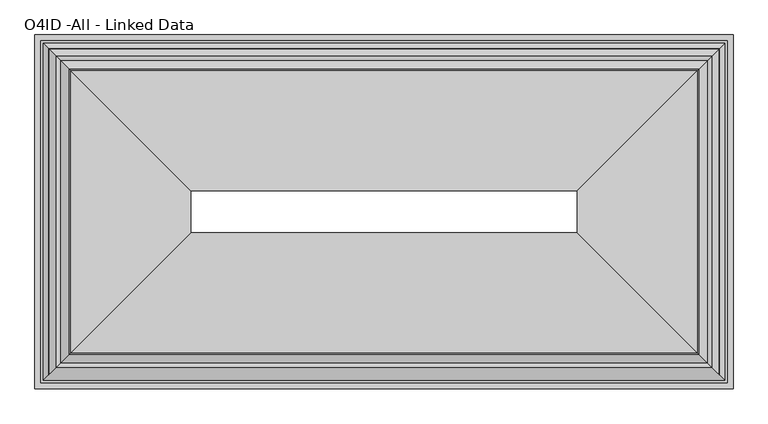
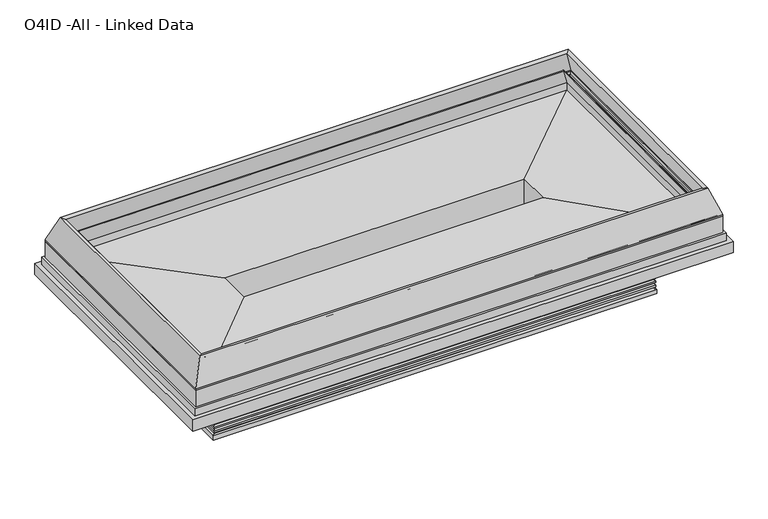
"""IFC4 building model written with IfcOpenShell, lengths in millimetres: proxy geometry, O4ID -All - Linked Data."""

from ifc_helpers import new_model, si_unit, point, frame, frame_2d, origin, origin_with_axes, place, context, project, spatial, polyline, circle_curve, ellipse_curve, trimmed, segment, composite_curve, outline, extrude, faceted_brep, source, transform, mapped, element, save
from ifc_brep_helpers import plane_surface, cylinder_surface, revolved_surface, advanced_brep


def o4id_all_linked_data_f080d3b0(model_context):
    return source(origin(), model_context, "Body", "SolidModel", [
        advanced_brep(
        [(407.5864212, -2019.5725061, 52.2515752), (404.0973241, -2023.0616032, 41.0863151), (3494.8026759, -2023.0616032, 41.0863151), (3491.3135788, -2019.5725061, 52.2515752), (3501.9507741, -2030.2097014, 50.0937524), (396.9492259, -2030.2097014, 50.0937524), (394.9553259, -2032.2036014, 62.7937524), (394.9553259, -2032.2036014, 50.0937524), (3503.9446741, -2032.2036014, 50.0937524), (3503.9446741, -2032.2036014, 62.7937524), (3494.8026759, -2023.0616032, 72.0584982), (404.0973241, -2023.0616032, 72.0584982), (3491.3135788, -2019.5725061, 83.2237583), (407.5864212, -2019.5725061, 83.2237583), (3501.9507741, -2030.2097014, 81.0659355), (396.9492259, -2030.2097014, 81.0659355), (394.9553259, -2032.2036014, 93.7659355), (394.9553259, -2032.2036014, 81.0659355), (3503.9446741, -2032.2036014, 81.0659355), (3503.9446741, -2032.2036014, 93.7659355), (3494.8026759, -2023.0616032, 103.0306813), (404.0973241, -2023.0616032, 103.0306813), (3491.3135788, -2019.5725061, 114.0694894), (407.5864212, -2019.5725061, 114.0694894), (3501.9507741, -2030.2097014, 112.0383055), (396.9492259, -2030.2097014, 112.0383055), (394.9553259, -2032.2036014, 124.7383055), (394.9553259, -2032.2036014, 112.0383055), (3503.9446741, -2032.2036014, 112.0383055), (3503.9446741, -2032.2036014, 124.7383055), (3491.3135788, -2019.5725061, 137.4381186), (407.5864212, -2019.5725061, 137.4381186), (3491.3135788, -2019.5725061, 146.05), (407.5864212, -2019.5725061, 146.05), (417.6946779, -2009.4642494, 0.0), (417.6946779, -2009.4642494, 146.05), (3481.2053221, -2009.4642494, 146.05), (3481.2053221, -2009.4642494, 0.0), (392.0670212, -2035.0919061, 31.4790022), (392.0670212, -2035.0919061, 0.0), (3506.8329788, -2035.0919061, 0.0), (3506.8329788, -2035.0919061, 31.4790022), (3494.8026759, -805.6062514, 41.0863151), (3491.3135788, -809.0953485, 52.2515752), (3501.9507741, -798.4581532, 50.0937524), (3503.9446741, -796.4642532, 50.0937524), (3503.9446741, -796.4642532, 62.7937524), (3494.8026759, -805.6062514, 72.0584982), (3491.3135788, -809.0953485, 83.2237583), (3501.9507741, -798.4581532, 81.0659355), (3503.9446741, -796.4642532, 81.0659355), (3503.9446741, -796.4642532, 93.7659355), (3494.8026759, -805.6062514, 103.0306813), (3491.3135788, -809.0953485, 114.0694894), (3501.9507741, -798.4581532, 112.0383055), (3503.9446741, -796.4642532, 112.0383055), (3503.9446741, -796.4642532, 124.7383055), (3491.3135788, -809.0953485, 137.4381186), (3491.3135788, -809.0953485, 146.05), (3481.2053221, -819.2036052, 146.05), (3481.2053221, -819.2036052, 0.0), (3506.8329788, -793.5759485, 0.0), (3506.8329788, -793.5759485, 31.4790022), (404.0973241, -805.6062514, 41.0863151), (407.5864212, -809.0953485, 52.2515752), (396.9492259, -798.4581532, 50.0937524), (394.9553259, -796.4642532, 50.0937524), (394.9553259, -796.4642532, 62.7937524), (404.0973241, -805.6062514, 72.0584982), (407.5864212, -809.0953485, 83.2237583), (396.9492259, -798.4581532, 81.0659355), (394.9553259, -796.4642532, 81.0659355), (394.9553259, -796.4642532, 93.7659355), (404.0973241, -805.6062514, 103.0306813), (407.5864212, -809.0953485, 114.0694894), (396.9492259, -798.4581532, 112.0383055), (394.9553259, -796.4642532, 112.0383055), (394.9553259, -796.4642532, 124.7383055), (407.5864212, -809.0953485, 137.4381186), (407.5864212, -809.0953485, 146.05), (417.6946779, -819.2036052, 146.05), (417.6946779, -819.2036052, 0.0), (392.0670212, -793.5759485, 0.0), (392.0670212, -793.5759485, 31.4790022)],
        [
            (0, 1),
            (1, 2),
            (2, 3),
            (3, 0),
            (3, 4),
            (4, 5),
            (5, 0),
            (6, 7),
            (7, 8),
            (8, 9),
            (9, 6),
            (9, 10, ellipse_curve(frame((3507.1365131, -2035.3954404, 75.0861144), z_axis=(0.7071067811865475, 0.7071067811865475, 0.0), x_axis=(0.7071067811865476, -0.7071067811865474, 0.0)), 17.9605122, 12.7)),
            (10, 11),
            (11, 6, ellipse_curve(frame((391.7634869, -2035.3954404, 75.0861144), z_axis=(-0.7071067811865475, 0.7071067811865475, 0.0), x_axis=(0.7071067811865476, 0.7071067811865474, 0.0)), 17.9605122, 12.7)),
            (10, 12),
            (12, 13),
            (13, 11),
            (12, 14),
            (14, 15),
            (15, 13),
            (16, 17),
            (17, 18),
            (18, 19),
            (19, 16),
            (19, 20, ellipse_curve(frame((3507.1365131, -2035.3954404, 106.0582975), z_axis=(0.7071067811865475, 0.7071067811865475, 0.0), x_axis=(0.7071067811865476, -0.7071067811865474, 0.0)), 17.9605122, 12.7)),
            (20, 21),
            (21, 16, ellipse_curve(frame((391.7634869, -2035.3954404, 106.0582975), z_axis=(-0.7071067811865475, 0.7071067811865475, 0.0), x_axis=(0.7071067811865476, 0.7071067811865474, 0.0)), 17.9605122, 12.7)),
            (20, 22),
            (22, 23),
            (23, 21),
            (22, 24),
            (24, 25),
            (25, 23),
            (26, 27),
            (27, 28),
            (28, 29),
            (29, 26),
            (29, 30, ellipse_curve(frame((3504.0135788, -2032.2725061, 137.4381186), z_axis=(0.7071067811865475, 0.7071067811865475, 0.0), x_axis=(0.7071067811865476, -0.7071067811865474, 0.0)), 17.9605122, 12.7)),
            (30, 31),
            (31, 26, ellipse_curve(frame((394.8864212, -2032.2725061, 137.4381186), z_axis=(-0.7071067811865475, 0.7071067811865475, 0.0), x_axis=(0.7071067811865476, 0.7071067811865474, 0.0)), 17.9605122, 12.7)),
            (30, 32),
            (32, 33),
            (33, 31),
            (34, 35),
            (35, 36),
            (36, 37),
            (37, 34),
            (38, 39),
            (39, 40),
            (40, 41),
            (41, 38),
            (1, 38, ellipse_curve(frame((393.1207685, -2034.0381588, 42.4953422), z_axis=(-0.7071067811865475, 0.7071067811865475, 0.0), x_axis=(0.7071067811865476, 0.7071067811865474, 0.0)), 15.6505674, 11.0666223)),
            (41, 2, ellipse_curve(frame((3505.7792315, -2034.0381588, 42.4953422), z_axis=(0.7071067811865475, 0.7071067811865475, 0.0), x_axis=(0.7071067811865476, -0.7071067811865474, 0.0)), 15.6505674, 11.0666223)),
            (2, 42),
            (42, 43),
            (43, 3),
            (43, 44),
            (44, 4),
            (8, 45),
            (45, 46),
            (46, 9),
            (46, 47, ellipse_curve(frame((3507.1365131, -793.2724142, 75.0861144), z_axis=(-0.7071067811865475, 0.7071067811865475, 0.0), x_axis=(0.7071067811865474, 0.7071067811865476, 0.0)), 17.9605122, 12.7)),
            (47, 10),
            (47, 48),
            (48, 12),
            (48, 49),
            (49, 14),
            (18, 50),
            (50, 51),
            (51, 19),
            (51, 52, ellipse_curve(frame((3507.1365131, -793.2724142, 106.0582975), z_axis=(-0.7071067811865475, 0.7071067811865475, 0.0), x_axis=(0.7071067811865474, 0.7071067811865476, 0.0)), 17.9605122, 12.7)),
            (52, 20),
            (52, 53),
            (53, 22),
            (53, 54),
            (54, 24),
            (28, 55),
            (55, 56),
            (56, 29),
            (56, 57, ellipse_curve(frame((3504.0135788, -796.3953485, 137.4381186), z_axis=(-0.7071067811865475, 0.7071067811865475, 0.0), x_axis=(0.7071067811865474, 0.7071067811865476, 0.0)), 17.9605122, 12.7)),
            (57, 30),
            (57, 58),
            (58, 32),
            (36, 59),
            (59, 60),
            (60, 37),
            (40, 61),
            (61, 62),
            (62, 41),
            (62, 42, ellipse_curve(frame((3505.7792315, -794.6296958, 42.4953422), z_axis=(-0.7071067811865475, 0.7071067811865475, 0.0), x_axis=(0.7071067811865474, 0.7071067811865476, 0.0)), 15.6505674, 11.0666223)),
            (42, 63),
            (63, 64),
            (64, 43),
            (64, 65),
            (65, 44),
            (45, 66),
            (66, 67),
            (67, 46),
            (67, 68, ellipse_curve(frame((391.7634869, -793.2724142, 75.0861144), z_axis=(-0.7071067811865475, -0.7071067811865475, 0.0), x_axis=(-0.7071067811865476, 0.7071067811865474, 0.0)), 17.9605122, 12.7)),
            (68, 47),
            (68, 69),
            (69, 48),
            (69, 70),
            (70, 49),
            (50, 71),
            (71, 72),
            (72, 51),
            (72, 73, ellipse_curve(frame((391.7634869, -793.2724142, 106.0582975), z_axis=(-0.7071067811865475, -0.7071067811865475, 0.0), x_axis=(-0.7071067811865476, 0.7071067811865474, 0.0)), 17.9605122, 12.7)),
            (73, 52),
            (73, 74),
            (74, 53),
            (74, 75),
            (75, 54),
            (55, 76),
            (76, 77),
            (77, 56),
            (77, 78, ellipse_curve(frame((394.8864212, -796.3953485, 137.4381186), z_axis=(-0.7071067811865475, -0.7071067811865475, 0.0), x_axis=(-0.7071067811865476, 0.7071067811865474, 0.0)), 17.9605122, 12.7)),
            (78, 57),
            (78, 79),
            (79, 58),
            (59, 80),
            (80, 81),
            (81, 60),
            (61, 82),
            (82, 83),
            (83, 62),
            (83, 63, ellipse_curve(frame((393.1207685, -794.6296958, 42.4953422), z_axis=(-0.7071067811865475, -0.7071067811865475, 0.0), x_axis=(-0.7071067811865476, 0.7071067811865474, 0.0)), 15.6505674, 11.0666223)),
            (0, 64),
            (63, 1),
            (5, 65),
            (7, 66),
            (6, 67),
            (11, 68),
            (13, 69),
            (15, 70),
            (17, 71),
            (16, 72),
            (21, 73),
            (23, 74),
            (25, 75),
            (27, 76),
            (26, 77),
            (31, 78),
            (33, 79),
            (35, 80),
            (34, 81),
            (39, 82),
            (38, 83),
        ],
        [
            plane_surface(frame((404.0973241, -2023.0616032, 41.0863151), z_axis=(0.0, -0.9544811145040373, 0.2982713564107874), x_axis=(1.0, 0.0, 0.0))),
            plane_surface(frame((407.5864212, -2019.5725061, 52.2515752), z_axis=(0.0, 0.19880707887698196, -0.9800386448443763), x_axis=(1.0, 0.0, 0.0))),
            plane_surface(frame((394.9553259, -2032.2036014, 50.0937524), z_axis=(0.0, -1.0, 0.0), x_axis=(1.0, 0.0, 0.0))),
            revolved_surface(polyline([(3519.8365130702036, -2022.6954404, 75.0861144), (379.0634869297963, -2022.6954404, 75.0861144)]), (0.0, -2035.3954404, 75.0861144), (1.0, 0.0, 0.0)),
            plane_surface(frame((404.0973241, -2023.0616032, 72.0584982), z_axis=(0.0, -0.9544811145041052, 0.2982713564105698), x_axis=(1.0, 0.0, 0.0))),
            plane_surface(frame((407.5864212, -2019.5725061, 83.2237583), z_axis=(0.0, 0.1988070788769928, -0.9800386448443741), x_axis=(1.0, 0.0, 0.0))),
            plane_surface(frame((394.9553259, -2032.2036014, 81.0659355), z_axis=(0.0, -1.0, 0.0), x_axis=(1.0, 0.0, 0.0))),
            revolved_surface(polyline([(3519.8365130702036, -2022.6954404, 106.0582975), (379.0634869297963, -2022.6954404, 106.0582975)]), (0.0, -2035.3954404, 106.0582975), (1.0, 0.0, 0.0)),
            plane_surface(frame((404.0973241, -2023.0616032, 103.0306813), z_axis=(0.0, -0.9535043111328932, 0.30137937661855163), x_axis=(1.0, 0.0, 0.0))),
            plane_surface(frame((407.5864212, -2019.5725061, 114.0694894), z_axis=(0.0, 0.1875622155180167, -0.9822527247658686), x_axis=(1.0, 0.0, 0.0))),
            plane_surface(frame((394.9553259, -2032.2036014, 112.0383055), z_axis=(0.0, -1.0, 0.0), x_axis=(1.0, 0.0, 0.0))),
            revolved_surface(polyline([(3516.7135787702036, -2019.5725061, 137.4381186), (382.1864212297963, -2019.5725061, 137.4381186)]), (0.0, -2032.2725061, 137.4381186), (1.0, 0.0, 0.0)),
            plane_surface(frame((407.5864212, -2019.5725061, 137.4381186), z_axis=(0.0, -1.0, 0.0), x_axis=(1.0, 0.0, 0.0))),
            plane_surface(frame((417.6946779, -2009.4642494, 146.05), z_axis=(0.0, 1.0, 0.0), x_axis=(1.0, 0.0, 0.0))),
            plane_surface(frame((392.0670212, -2035.0919061, 0.0), z_axis=(0.0, -1.0, 0.0), x_axis=(1.0, 0.0, 0.0))),
            revolved_surface(polyline([(3516.8458538379573, -2022.9715365, 42.4953422), (382.05414616204285, -2022.9715365, 42.4953422)]), (0.0, -2034.0381588, 42.4953422), (1.0, 0.0, 0.0)),
            plane_surface(frame((3494.8026759, -2023.0616032, 41.0863151), z_axis=(0.9544811145040373, 0.0, 0.2982713564107874), x_axis=(0.0, 1.0, 0.0))),
            plane_surface(frame((3491.3135788, -2019.5725061, 52.2515752), z_axis=(-0.19880707887698196, 0.0, -0.9800386448443763), x_axis=(0.0, 1.0, 0.0))),
            plane_surface(frame((3503.9446741, -2032.2036014, 50.0937524), z_axis=(1.0, 0.0, 0.0), x_axis=(0.0, 1.0, 0.0))),
            revolved_surface(polyline([(3494.4365131, -780.5724142297963, 75.0861144), (3494.4365131, -2048.095440370204, 75.0861144)]), (3507.1365131, -2427.1589273, 75.0861144), (0.0, 1.0, 0.0)),
            plane_surface(frame((3494.8026759, -2023.0616032, 72.0584982), z_axis=(0.9544811145041052, 0.0, 0.2982713564105698), x_axis=(0.0, 1.0, 0.0))),
            plane_surface(frame((3491.3135788, -2019.5725061, 83.2237583), z_axis=(-0.1988070788769928, 0.0, -0.9800386448443741), x_axis=(0.0, 1.0, 0.0))),
            plane_surface(frame((3503.9446741, -2032.2036014, 81.0659355), z_axis=(1.0, 0.0, 0.0), x_axis=(0.0, 1.0, 0.0))),
            revolved_surface(polyline([(3494.4365131, -780.5724142297963, 106.0582975), (3494.4365131, -2048.095440370204, 106.0582975)]), (3507.1365131, -2427.1589273, 106.0582975), (0.0, 1.0, 0.0)),
            plane_surface(frame((3494.8026759, -2023.0616032, 103.0306813), z_axis=(0.9535043111328932, 0.0, 0.30137937661855163), x_axis=(0.0, 1.0, 0.0))),
            plane_surface(frame((3491.3135788, -2019.5725061, 114.0694894), z_axis=(-0.1875622155180167, 0.0, -0.9822527247658686), x_axis=(0.0, 1.0, 0.0))),
            plane_surface(frame((3503.9446741, -2032.2036014, 112.0383055), z_axis=(1.0, 0.0, 0.0), x_axis=(0.0, 1.0, 0.0))),
            revolved_surface(polyline([(3491.3135788, -783.6953485297963, 137.4381186), (3491.3135788, -2044.9725060702037, 137.4381186)]), (3504.0135788, -2427.1589273, 137.4381186), (0.0, 1.0, 0.0)),
            plane_surface(frame((3491.3135788, -2019.5725061, 137.4381186), z_axis=(1.0, 0.0, 0.0), x_axis=(0.0, 1.0, 0.0))),
            plane_surface(frame((3481.2053221, -2009.4642494, 146.05), z_axis=(-1.0, 0.0, 0.0), x_axis=(0.0, 1.0, 0.0))),
            plane_surface(frame((3506.8329788, -2035.0919061, 0.0), z_axis=(1.0, 0.0, 0.0), x_axis=(0.0, 1.0, 0.0))),
            revolved_surface(polyline([(3494.7126092000003, -783.5630734620429, 42.4953422), (3494.7126092000003, -2045.1047811379572, 42.4953422)]), (3505.7792315, -2427.1589273, 42.4953422), (0.0, 1.0, 0.0)),
            plane_surface(frame((3494.8026759, -805.6062514, 41.0863151), z_axis=(0.0, 0.9544811145040373, 0.2982713564107874), x_axis=(-1.0, 0.0, 0.0))),
            plane_surface(frame((3491.3135788, -809.0953485, 52.2515752), z_axis=(0.0, -0.19880707887698196, -0.9800386448443763), x_axis=(-1.0, 0.0, 0.0))),
            plane_surface(frame((3503.9446741, -796.4642532, 50.0937524), z_axis=(0.0, 1.0, 0.0), x_axis=(-1.0, 0.0, 0.0))),
            revolved_surface(polyline([(379.063486929796, -805.9724142, 75.0861144), (3519.8365130702036, -805.9724142, 75.0861144)]), (3898.9, -793.2724142, 75.0861144), (-1.0, 0.0, 0.0)),
            plane_surface(frame((3494.8026759, -805.6062514, 72.0584982), z_axis=(0.0, 0.9544811145041052, 0.2982713564105698), x_axis=(-1.0, 0.0, 0.0))),
            plane_surface(frame((3491.3135788, -809.0953485, 83.2237583), z_axis=(0.0, -0.1988070788769928, -0.9800386448443741), x_axis=(-1.0, 0.0, 0.0))),
            plane_surface(frame((3503.9446741, -796.4642532, 81.0659355), z_axis=(0.0, 1.0, 0.0), x_axis=(-1.0, 0.0, 0.0))),
            revolved_surface(polyline([(379.063486929796, -805.9724142, 106.0582975), (3519.8365130702036, -805.9724142, 106.0582975)]), (3898.9, -793.2724142, 106.0582975), (-1.0, 0.0, 0.0)),
            plane_surface(frame((3494.8026759, -805.6062514, 103.0306813), z_axis=(0.0, 0.9535043111328932, 0.30137937661855163), x_axis=(-1.0, 0.0, 0.0))),
            plane_surface(frame((3491.3135788, -809.0953485, 114.0694894), z_axis=(0.0, -0.1875622155180167, -0.9822527247658686), x_axis=(-1.0, 0.0, 0.0))),
            plane_surface(frame((3503.9446741, -796.4642532, 112.0383055), z_axis=(0.0, 1.0, 0.0), x_axis=(-1.0, 0.0, 0.0))),
            revolved_surface(polyline([(382.186421229796, -809.0953485, 137.4381186), (3516.7135787702036, -809.0953485, 137.4381186)]), (3898.9, -796.3953485, 137.4381186), (-1.0, 0.0, 0.0)),
            plane_surface(frame((3491.3135788, -809.0953485, 137.4381186), z_axis=(0.0, 1.0, 0.0), x_axis=(-1.0, 0.0, 0.0))),
            plane_surface(frame((3481.2053221, -819.2036052, 146.05), z_axis=(0.0, -1.0, 0.0), x_axis=(-1.0, 0.0, 0.0))),
            plane_surface(frame((3506.8329788, -793.5759485, 0.0), z_axis=(0.0, 1.0, 0.0), x_axis=(-1.0, 0.0, 0.0))),
            revolved_surface(polyline([(382.0541461620428, -805.6963181, 42.4953422), (3516.8458538379573, -805.6963181, 42.4953422)]), (3898.9, -794.6296958, 42.4953422), (-1.0, 0.0, 0.0)),
            plane_surface(frame((404.0973241, -805.6062514, 41.0863151), z_axis=(-0.9544811145040373, 0.0, 0.2982713564107874), x_axis=(0.0, -1.0, 0.0))),
            plane_surface(frame((407.5864212, -809.0953485, 52.2515752), z_axis=(0.19880707887698196, 0.0, -0.9800386448443763), x_axis=(0.0, -1.0, 0.0))),
            plane_surface(frame((396.9492259, -798.4581532, 50.0937524), z_axis=(0.0, 0.0, -1.0), x_axis=(0.0, -1.0, 0.0))),
            plane_surface(frame((394.9553259, -796.4642532, 50.0937524), z_axis=(-1.0, 0.0, 0.0), x_axis=(0.0, -1.0, 0.0))),
            revolved_surface(polyline([(404.46348689999996, -2048.095440370204, 75.0861144), (404.46348689999996, -780.5724142297963, 75.0861144)]), (391.7634869, -401.5089273, 75.0861144), (0.0, -1.0, 0.0)),
            plane_surface(frame((404.0973241, -805.6062514, 72.0584982), z_axis=(-0.9544811145041052, 0.0, 0.2982713564105698), x_axis=(0.0, -1.0, 0.0))),
            plane_surface(frame((407.5864212, -809.0953485, 83.2237583), z_axis=(0.1988070788769928, 0.0, -0.9800386448443741), x_axis=(0.0, -1.0, 0.0))),
            plane_surface(frame((396.9492259, -798.4581532, 81.0659355), z_axis=(0.0, 0.0, -1.0), x_axis=(0.0, -1.0, 0.0))),
            plane_surface(frame((394.9553259, -796.4642532, 81.0659355), z_axis=(-1.0, 0.0, 0.0), x_axis=(0.0, -1.0, 0.0))),
            revolved_surface(polyline([(404.46348689999996, -2048.095440370204, 106.0582975), (404.46348689999996, -780.5724142297963, 106.0582975)]), (391.7634869, -401.5089273, 106.0582975), (0.0, -1.0, 0.0)),
            plane_surface(frame((404.0973241, -805.6062514, 103.0306813), z_axis=(-0.9535043111328932, 0.0, 0.30137937661855163), x_axis=(0.0, -1.0, 0.0))),
            plane_surface(frame((407.5864212, -809.0953485, 114.0694894), z_axis=(0.1875622155180167, 0.0, -0.9822527247658686), x_axis=(0.0, -1.0, 0.0))),
            plane_surface(frame((396.9492259, -798.4581532, 112.0383055), z_axis=(0.0, 0.0, -1.0), x_axis=(0.0, -1.0, 0.0))),
            plane_surface(frame((394.9553259, -796.4642532, 112.0383055), z_axis=(-1.0, 0.0, 0.0), x_axis=(0.0, -1.0, 0.0))),
            revolved_surface(polyline([(407.58642119999996, -2044.972506070204, 137.4381186), (407.58642119999996, -783.6953485297963, 137.4381186)]), (394.8864212, -401.5089273, 137.4381186), (0.0, -1.0, 0.0)),
            plane_surface(frame((407.5864212, -809.0953485, 137.4381186), z_axis=(-1.0, 0.0, 0.0), x_axis=(0.0, -1.0, 0.0))),
            plane_surface(frame((407.5864212, -809.0953485, 146.05), z_axis=(0.0, 0.0, 1.0), x_axis=(0.0, -1.0, 0.0))),
            plane_surface(frame((417.6946779, -819.2036052, 146.05), z_axis=(1.0, 0.0, 0.0), x_axis=(0.0, -1.0, 0.0))),
            plane_surface(frame((417.6946779, -819.2036052, 0.0), z_axis=(0.0, 0.0, -1.0), x_axis=(0.0, -1.0, 0.0))),
            plane_surface(frame((392.0670212, -793.5759485, 0.0), z_axis=(-1.0, 0.0, 0.0), x_axis=(0.0, -1.0, 0.0))),
            revolved_surface(polyline([(404.1873908, -2045.1047811379572, 42.4953422), (404.1873908, -783.5630734620429, 42.4953422)]), (393.1207685, -401.5089273, 42.4953422), (0.0, -1.0, 0.0)),
        ],
        [
            (0, [[1, 2, 3, 4]]),
            (1, [[-4, 5, 6, 7]]),
            (2, [[8, 9, 10, 11]]),
            (3, [[-11, 12, 13, 14]]),
            (4, [[-13, 15, 16, 17]]),
            (5, [[-16, 18, 19, 20]]),
            (6, [[21, 22, 23, 24]]),
            (7, [[-24, 25, 26, 27]]),
            (8, [[-26, 28, 29, 30]]),
            (9, [[-29, 31, 32, 33]]),
            (10, [[34, 35, 36, 37]]),
            (11, [[-37, 38, 39, 40]]),
            (12, [[-39, 41, 42, 43]]),
            (13, [[44, 45, 46, 47]]),
            (14, [[48, 49, 50, 51]]),
            (15, [[-2, 52, -51, 53]]),
            (16, [[-3, 54, 55, 56]]),
            (17, [[-5, -56, 57, 58]]),
            (18, [[-10, 59, 60, 61]]),
            (19, [[-12, -61, 62, 63]]),
            (20, [[-15, -63, 64, 65]]),
            (21, [[-18, -65, 66, 67]]),
            (22, [[-23, 68, 69, 70]]),
            (23, [[-25, -70, 71, 72]]),
            (24, [[-28, -72, 73, 74]]),
            (25, [[-31, -74, 75, 76]]),
            (26, [[-36, 77, 78, 79]]),
            (27, [[-38, -79, 80, 81]]),
            (28, [[-41, -81, 82, 83]]),
            (29, [[-46, 84, 85, 86]]),
            (30, [[-50, 87, 88, 89]]),
            (31, [[-53, -89, 90, -54]]),
            (32, [[-55, 91, 92, 93]]),
            (33, [[-57, -93, 94, 95]]),
            (34, [[-60, 96, 97, 98]]),
            (35, [[-62, -98, 99, 100]]),
            (36, [[-64, -100, 101, 102]]),
            (37, [[-66, -102, 103, 104]]),
            (38, [[-69, 105, 106, 107]]),
            (39, [[-71, -107, 108, 109]]),
            (40, [[-73, -109, 110, 111]]),
            (41, [[-75, -111, 112, 113]]),
            (42, [[-78, 114, 115, 116]]),
            (43, [[-80, -116, 117, 118]]),
            (44, [[-82, -118, 119, 120]]),
            (45, [[-85, 121, 122, 123]]),
            (46, [[-88, 124, 125, 126]]),
            (47, [[-90, -126, 127, -91]]),
            (48, [[-1, 128, -92, 129]]),
            (49, [[-7, 130, -94, -128]]),
            (50, [[-9, 131, -96, -59], [-6, -58, -95, -130]]),
            (51, [[-8, 132, -97, -131]]),
            (52, [[-14, 133, -99, -132]]),
            (53, [[-17, 134, -101, -133]]),
            (54, [[-20, 135, -103, -134]]),
            (55, [[-22, 136, -105, -68], [-19, -67, -104, -135]]),
            (56, [[-21, 137, -106, -136]]),
            (57, [[-27, 138, -108, -137]]),
            (58, [[-30, 139, -110, -138]]),
            (59, [[-33, 140, -112, -139]]),
            (60, [[-35, 141, -114, -77], [-32, -76, -113, -140]]),
            (61, [[-34, 142, -115, -141]]),
            (62, [[-40, 143, -117, -142]]),
            (63, [[-43, 144, -119, -143]]),
            (64, [[-42, -83, -120, -144], [-45, 145, -121, -84]]),
            (65, [[-44, 146, -122, -145]]),
            (66, [[-49, 147, -124, -87], [-47, -86, -123, -146]]),
            (67, [[-48, 148, -125, -147]]),
            (68, [[-52, -129, -127, -148]]),
        ],
    ),
        faceted_brep([(188.6710999, -2238.4878274, 835.9605394), (121.4116342, -2305.7472931, 651.1666761), (121.4116342, -522.9205615, 651.1666761), (188.6710999, -590.1800272, 835.9605394), (163.3111453, -2263.847782, 845.190808), (163.3111453, -564.8200726, 845.190808), (97.5838499, -2329.5750774, 664.6065482), (97.5838499, -499.0927772, 664.6065482), (97.5838499, -2329.5750774, 651.1666761), (97.5838499, -499.0927772, 651.1666761), (3777.4883658, -522.9205615, 651.1666761), (3710.2289001, -590.1800272, 835.9605394), (3735.5888547, -564.8200726, 845.190808), (3801.3161501, -499.0927772, 664.6065482), (3801.3161501, -499.0927772, 651.1666761), (3777.4883658, -2305.7472931, 651.1666761), (3710.2289001, -2238.4878274, 835.9605394), (3735.5888547, -2263.847782, 845.190808), (3801.3161501, -2329.5750774, 664.6065482), (3801.3161501, -2329.5750774, 651.1666761)], [[[0, 1, 2, 3]], [[4, 0, 3, 5]], [[6, 4, 5, 7]], [[8, 6, 7, 9]], [[3, 2, 10, 11]], [[5, 3, 11, 12]], [[7, 5, 12, 13]], [[9, 7, 13, 14]], [[11, 10, 15, 16]], [[12, 11, 16, 17]], [[13, 12, 17, 18]], [[14, 13, 18, 19]], [[16, 15, 1, 0]], [[17, 16, 0, 4]], [[18, 17, 4, 6]], [[19, 18, 6, 8]], [[9, 14, 19, 8], [1, 15, 10, 2]]]),
        advanced_brep(
        [(182.292374, -2244.8665533, 622.6991544), (238.6565792, -2188.5023481, 761.7268557), (238.6565792, -640.1655065, 761.7268557), (182.292374, -583.8013013, 622.6991544), (186.7059518, -2240.4529755, 620.9098146), (186.7059518, -2240.4529755, 622.6991544), (186.7059518, -588.2148791, 622.6991544), (186.7059518, -588.2148791, 620.9098146), (243.070157, -2184.0887703, 759.9375159), (243.070157, -644.5790843, 759.9375159), (3660.2434208, -640.1655065, 761.7268557), (3716.607626, -583.8013013, 622.6991544), (3712.1940482, -588.2148791, 622.6991544), (3712.1940482, -588.2148791, 620.9098146), (3655.829843, -644.5790843, 759.9375159), (3660.2434208, -2188.5023481, 761.7268557), (3716.607626, -2244.8665533, 622.6991544), (3712.1940482, -2240.4529755, 622.6991544), (3712.1940482, -2240.4529755, 620.9098146), (3655.829843, -2184.0887703, 759.9375159)],
        [
            (0, 1),
            (1, 2),
            (2, 3),
            (3, 0),
            (4, 5),
            (5, 6),
            (6, 7),
            (7, 4),
            (8, 4),
            (7, 9),
            (9, 8),
            (1, 8, ellipse_curve(frame((240.8633681, -2186.2955592, 760.8321858), z_axis=(-0.7071067811865475, 0.7071067811865475, 0.0), x_axis=(-0.7071067811865474, -0.7071067811865476, 0.0)), 3.367596, 2.38125)),
            (9, 2, ellipse_curve(frame((240.8633681, -642.3722954, 760.8321858), z_axis=(-0.7071067811865475, -0.7071067811865475, 0.0), x_axis=(0.7071067811865474, -0.7071067811865476, 0.0)), 3.367596, 2.38125)),
            (2, 10),
            (10, 11),
            (11, 3),
            (6, 12),
            (12, 13),
            (13, 7),
            (13, 14),
            (14, 9),
            (14, 10, ellipse_curve(frame((3658.0366319, -642.3722954, 760.8321858), z_axis=(-0.7071067811865475, 0.7071067811865475, 0.0), x_axis=(-0.7071067811865476, -0.7071067811865474, 0.0)), 3.367596, 2.38125)),
            (10, 15),
            (15, 16),
            (16, 11),
            (12, 17),
            (17, 18),
            (18, 13),
            (18, 19),
            (19, 14),
            (19, 15, ellipse_curve(frame((3658.0366319, -2186.2955592, 760.8321858), z_axis=(0.7071067811865475, 0.7071067811865475, 0.0), x_axis=(-0.7071067811865474, 0.7071067811865476, 0.0)), 3.367596, 2.38125)),
            (15, 1),
            (0, 16),
            (5, 17),
            (4, 18),
            (8, 19),
        ],
        [
            plane_surface(frame((238.6565792, -2188.5023481, 761.7268557), z_axis=(-0.9267354998635696, 0.0, 0.37571440389293004), x_axis=(0.0, 1.0, 0.0))),
            plane_surface(frame((186.7059518, -2240.4529755, 622.6991544), z_axis=(-1.0, 0.0, 0.0), x_axis=(0.0, 1.0, 0.0))),
            plane_surface(frame((186.7059518, -2240.4529755, 620.9098146), z_axis=(0.926735499863471, 0.0, -0.37571440389317323), x_axis=(0.0, 1.0, 0.0))),
            cylinder_surface(frame((240.8633681, -2374.82165, 760.8321858), z_axis=(0.0, -1.0, 0.0), x_axis=(-1.0, 0.0, 0.0)), 2.38125),
            plane_surface(frame((238.6565792, -640.1655065, 761.7268557), z_axis=(0.0, 0.9267354998635696, 0.37571440389293004), x_axis=(1.0, 0.0, 0.0))),
            plane_surface(frame((186.7059518, -588.2148791, 622.6991544), z_axis=(0.0, 1.0, 0.0), x_axis=(1.0, 0.0, 0.0))),
            plane_surface(frame((186.7059518, -588.2148791, 620.9098146), z_axis=(0.0, -0.926735499863471, -0.37571440389317323), x_axis=(1.0, 0.0, 0.0))),
            cylinder_surface(frame((52.3372773, -642.3722954, 760.8321858), z_axis=(-1.0, 0.0, 0.0), x_axis=(0.0, 1.0, 0.0)), 2.38125),
            plane_surface(frame((3660.2434208, -640.1655065, 761.7268557), z_axis=(0.9267354998635696, 0.0, 0.37571440389293004), x_axis=(0.0, -1.0, 0.0))),
            plane_surface(frame((3712.1940482, -588.2148791, 622.6991544), z_axis=(1.0, 0.0, 0.0), x_axis=(0.0, -1.0, 0.0))),
            plane_surface(frame((3712.1940482, -588.2148791, 620.9098146), z_axis=(-0.926735499863471, 0.0, -0.37571440389317323), x_axis=(0.0, -1.0, 0.0))),
            cylinder_surface(frame((3658.0366319, -453.8462046, 760.8321858), z_axis=(0.0, 1.0, 0.0), x_axis=(1.0, 0.0, 0.0)), 2.38125),
            plane_surface(frame((3660.2434208, -2188.5023481, 761.7268557), z_axis=(0.0, -0.9267354998635696, 0.37571440389293004), x_axis=(-1.0, 0.0, 0.0))),
            plane_surface(frame((3716.607626, -2244.8665533, 622.6991544), z_axis=(0.0, 0.0, -1.0), x_axis=(-1.0, 0.0, 0.0))),
            plane_surface(frame((3712.1940482, -2240.4529755, 622.6991544), z_axis=(0.0, -1.0, 0.0), x_axis=(-1.0, 0.0, 0.0))),
            plane_surface(frame((3712.1940482, -2240.4529755, 620.9098146), z_axis=(0.0, 0.926735499863471, -0.37571440389317323), x_axis=(-1.0, 0.0, 0.0))),
            cylinder_surface(frame((3846.5627227, -2186.2955592, 760.8321858), z_axis=(1.0, 0.0, 0.0), x_axis=(0.0, -1.0, 0.0)), 2.38125),
        ],
        [
            (0, [[1, 2, 3, 4]]),
            (1, [[5, 6, 7, 8]]),
            (2, [[9, -8, 10, 11]]),
            (3, [[12, -11, 13, -2]]),
            (4, [[-3, 14, 15, 16]]),
            (5, [[-7, 17, 18, 19]]),
            (6, [[-10, -19, 20, 21]]),
            (7, [[-13, -21, 22, -14]]),
            (8, [[-15, 23, 24, 25]]),
            (9, [[-18, 26, 27, 28]]),
            (10, [[-20, -28, 29, 30]]),
            (11, [[-22, -30, 31, -23]]),
            (12, [[-24, 32, -1, 33]]),
            (13, [[-16, -25, -33, -4], [34, -26, -17, -6]]),
            (14, [[-27, -34, -5, 35]]),
            (15, [[-29, -35, -9, 36]]),
            (16, [[-31, -36, -12, -32]]),
        ],
    ),
        faceted_brep([(82.0232044, -2345.1357229, 475.7067395), (82.0232044, -2345.1357229, 409.2323256), (82.0232044, -483.5321317, 409.2323256), (82.0232044, -483.5321317, 475.7067395), (51.0667123, -2376.092215, 393.2587782), (51.0667123, -2376.092215, 475.7067395), (51.0667123, -452.5756396, 475.7067395), (51.0667123, -452.5756396, 393.2587782), (3816.8767956, -483.5321317, 409.2323256), (3816.8767956, -483.5321317, 475.7067395), (3847.8332877, -452.5756396, 475.7067395), (3847.8332877, -452.5756396, 393.2587782), (3816.8767956, -2345.1357229, 409.2323256), (3816.8767956, -2345.1357229, 475.7067395), (3847.8332877, -2376.092215, 475.7067395), (3847.8332877, -2376.092215, 393.2587782), (275.4091025, -2151.7498248, 236.1725455), (275.4091025, -676.9180298, 236.1725455), (293.0985889, -2134.0603384, 261.4357503), (293.0985889, -694.6075162, 261.4357503), (3623.4908975, -676.9180298, 236.1725455), (3605.8014111, -694.6075162, 261.4357503), (3623.4908975, -2151.7498248, 236.1725455), (3605.8014111, -2134.0603384, 261.4357503)], [[[0, 1, 2, 3]], [[4, 5, 6, 7]], [[3, 2, 8, 9]], [[7, 6, 10, 11]], [[9, 8, 12, 13]], [[11, 10, 14, 15]], [[13, 12, 1, 0]], [[5, 14, 10, 6], [3, 9, 13, 0]], [[15, 14, 5, 4]], [[16, 4, 7, 17]], [[18, 16, 17, 19]], [[1, 18, 19, 2]], [[17, 7, 11, 20]], [[19, 17, 20, 21]], [[2, 19, 21, 8]], [[20, 11, 15, 22]], [[21, 20, 22, 23]], [[8, 21, 23, 12]], [[22, 15, 4, 16]], [[23, 22, 16, 18]], [[12, 23, 18, 1]]]),
        advanced_brep(
        [(3001.1369938, -1529.3959211, 583.240307), (3712.1940482, -2240.4529755, 564.6206228), (3712.1940482, -588.2148791, 564.6206228), (3001.1369938, -1299.2719335, 583.240307), (3001.1369938, -1529.3959211, 330.5006237), (3001.1369938, -1299.2719335, 330.5006237), (3287.3539195, -1815.6128468, 315.9996591), (3287.3539195, -1013.0550078, 315.9996591), (3302.4358253, -1830.6947526, 301.7115379), (3302.4358253, -997.973102, 301.7115379), (3317.5165925, -1845.7755198, 315.9985806), (3317.5165925, -982.8923348, 315.9985806), (3615.687379, -2143.9463063, 326.7908623), (3615.687379, -684.7215483, 326.7908623), (3778.535508, -2306.7944353, 440.8183498), (3778.535508, -521.8734193, 440.8183498), (3778.535508, -2306.7944353, 529.6852408), (3778.535508, -521.8734193, 529.6852408), (3801.3161501, -2329.5750774, 651.1666761), (3801.3161501, -2329.5750774, 529.6852408), (3801.3161501, -499.0927772, 529.6852408), (3801.3161501, -499.0927772, 651.1666761), (3772.0142767, -2300.273204, 646.4576372), (3776.0651876, -2304.3241149, 651.1666761), (3776.0651876, -524.3437397, 651.1666761), (3772.0142767, -528.3946506, 646.4576372), (3771.9229493, -2300.1818766, 625.4643319), (3771.9229493, -528.485978, 625.4643319), (3764.9031366, -2293.1620639, 622.6991544), (3764.9031366, -535.5057907, 622.6991544), (3712.1940482, -2240.4529755, 622.6991544), (3712.1940482, -588.2148791, 622.6991544), (186.7059518, -588.2148791, 564.6206228), (897.7630062, -1299.2719335, 583.240307), (897.7630062, -1299.2719335, 330.5006237), (611.5460805, -1013.0550078, 315.9996591), (596.4641747, -997.973102, 301.7115379), (581.3834075, -982.8923348, 315.9985806), (283.212621, -684.7215483, 326.7908623), (120.364492, -521.8734193, 440.8183498), (120.364492, -521.8734193, 529.6852408), (97.5838499, -499.0927772, 529.6852408), (97.5838499, -499.0927772, 651.1666761), (122.8348124, -524.3437397, 651.1666761), (126.8857233, -528.3946506, 646.4576372), (126.9770507, -528.485978, 625.4643319), (133.9968634, -535.5057907, 622.6991544), (186.7059518, -588.2148791, 622.6991544), (186.7059518, -2240.4529755, 564.6206228), (897.7630062, -1529.3959211, 583.240307), (897.7630062, -1529.3959211, 330.5006237), (611.5460805, -1815.6128468, 315.9996591), (596.4641747, -1830.6947526, 301.7115379), (581.3834075, -1845.7755198, 315.9985806), (283.212621, -2143.9463063, 326.7908623), (120.364492, -2306.7944353, 440.8183498), (120.364492, -2306.7944353, 529.6852408), (97.5838499, -2329.5750774, 529.6852408), (97.5838499, -2329.5750774, 651.1666761), (122.8348124, -2304.3241149, 651.1666761), (126.8857233, -2300.273204, 646.4576372), (126.9770507, -2300.1818766, 625.4643319), (133.9968634, -2293.1620639, 622.6991544), (186.7059518, -2240.4529755, 622.6991544)],
        [
            (0, 1),
            (1, 2),
            (2, 3),
            (3, 0),
            (4, 0),
            (3, 5),
            (5, 4),
            (6, 4),
            (5, 7),
            (7, 6),
            (8, 6),
            (7, 9),
            (9, 8),
            (10, 8),
            (9, 11),
            (11, 10),
            (12, 10),
            (11, 13),
            (13, 12),
            (14, 12),
            (13, 15),
            (15, 14),
            (16, 14),
            (15, 17),
            (17, 16),
            (18, 19),
            (19, 20),
            (20, 21),
            (21, 18),
            (22, 23, ellipse_curve(frame((3776.7767767, -2305.035704, 646.4576372), z_axis=(0.7071067811865475, 0.7071067811865475, 0.0), x_axis=(0.7071067811865474, -0.7071067811865476, 0.0)), 6.7351921, 4.7625)),
            (23, 24),
            (24, 25, ellipse_curve(frame((3776.7767767, -523.6321506, 646.4576372), z_axis=(0.7071067811865475, -0.7071067811865475, 0.0), x_axis=(-0.7071067811865474, -0.7071067811865476, 0.0)), 6.7351921, 4.7625)),
            (25, 22),
            (26, 22),
            (25, 27),
            (27, 26),
            (28, 26),
            (27, 29),
            (29, 28),
            (1, 30),
            (30, 31),
            (31, 2),
            (2, 32),
            (32, 33),
            (33, 3),
            (33, 34),
            (34, 5),
            (34, 35),
            (35, 7),
            (35, 36),
            (36, 9),
            (36, 37),
            (37, 11),
            (37, 38),
            (38, 13),
            (38, 39),
            (39, 15),
            (39, 40),
            (40, 17),
            (20, 41),
            (41, 42),
            (42, 21),
            (24, 43),
            (43, 44, ellipse_curve(frame((122.1232233, -523.6321506, 646.4576372), z_axis=(0.7071067811865475, 0.7071067811865475, 0.0), x_axis=(0.7071067811865476, -0.7071067811865474, 0.0)), 6.7351921, 4.7625)),
            (44, 25),
            (44, 45),
            (45, 27),
            (45, 46),
            (46, 29),
            (31, 47),
            (47, 32),
            (32, 48),
            (48, 49),
            (49, 33),
            (49, 50),
            (50, 34),
            (50, 51),
            (51, 35),
            (51, 52),
            (52, 36),
            (52, 53),
            (53, 37),
            (53, 54),
            (54, 38),
            (54, 55),
            (55, 39),
            (55, 56),
            (56, 40),
            (41, 57),
            (57, 58),
            (58, 42),
            (43, 59),
            (59, 60, ellipse_curve(frame((122.1232233, -2305.035704, 646.4576372), z_axis=(-0.7071067811865475, 0.7071067811865475, 0.0), x_axis=(0.7071067811865474, 0.7071067811865476, 0.0)), 6.7351921, 4.7625)),
            (60, 44),
            (60, 61),
            (61, 45),
            (61, 62),
            (62, 46),
            (47, 63),
            (63, 48),
            (48, 1),
            (0, 49),
            (4, 50),
            (6, 51),
            (8, 52),
            (10, 53),
            (12, 54),
            (14, 55),
            (16, 56),
            (19, 57),
            (18, 58),
            (23, 59),
            (22, 60),
            (26, 61),
            (28, 62),
            (30, 63),
        ],
        [
            plane_surface(frame((3712.1940482, -2240.4529755, 564.6206228), z_axis=(0.026176948307951815, 0.0, 0.9996573249755553), x_axis=(0.0, 1.0, 0.0))),
            plane_surface(frame((3001.1369938, -1529.3959211, 583.240307), z_axis=(-1.0, 0.0, 0.0), x_axis=(0.0, 1.0, 0.0))),
            plane_surface(frame((3001.1369938, -1529.3959211, 330.5006237), z_axis=(-0.05059934604185507, 0.0, -0.9987190326513942), x_axis=(0.0, 1.0, 0.0))),
            plane_surface(frame((3287.3539195, -1815.6128468, 315.9996591), z_axis=(-0.6877446479107937, 0.0, -0.7259526839058166), x_axis=(0.0, 1.0, 0.0))),
            plane_surface(frame((3302.4358253, -1830.6947526, 301.7115379), z_axis=(0.6877446479108454, 0.0, -0.7259526839057676), x_axis=(0.0, 1.0, 0.0))),
            plane_surface(frame((3317.5165925, -1845.7755198, 315.9985806), z_axis=(0.036171280996439965, 0.0, -0.9993456050991952), x_axis=(0.0, 1.0, 0.0))),
            plane_surface(frame((3615.687379, -2143.9463063, 326.7908623), z_axis=(0.5735764363510389, 0.0, -0.8191520442889968), x_axis=(0.0, 1.0, 0.0))),
            plane_surface(frame((3778.535508, -2306.7944353, 440.8183498), z_axis=(1.0, 0.0, 0.0), x_axis=(0.0, 1.0, 0.0))),
            plane_surface(frame((3801.3161501, -2329.5750774, 529.6852408), z_axis=(1.0, 0.0, 0.0), x_axis=(0.0, 1.0, 0.0))),
            cylinder_surface(frame((3776.7767767, -2427.1589273, 646.4576372), z_axis=(0.0, -1.0, 0.0), x_axis=(-1.0, 0.0, 0.0)), 4.7625),
            plane_surface(frame((3772.0142767, -2300.273204, 646.4576372), z_axis=(-0.9999905375281687, 0.0, 0.004350270580597052), x_axis=(0.0, 1.0, 0.0))),
            plane_surface(frame((3771.9229493, -2300.1818766, 625.4643319), z_axis=(-0.366501192754731, 0.0, 0.9304175813629919), x_axis=(0.0, 1.0, 0.0))),
            plane_surface(frame((3712.1940482, -2240.4529755, 622.6991544), z_axis=(-1.0, 0.0, 0.0), x_axis=(0.0, 1.0, 0.0))),
            plane_surface(frame((3712.1940482, -588.2148791, 564.6206228), z_axis=(0.0, 0.026176948307951815, 0.9996573249755553), x_axis=(-1.0, 0.0, 0.0))),
            plane_surface(frame((3001.1369938, -1299.2719335, 583.240307), z_axis=(0.0, -1.0, 0.0), x_axis=(-1.0, 0.0, 0.0))),
            plane_surface(frame((3001.1369938, -1299.2719335, 330.5006237), z_axis=(0.0, -0.05059934604185507, -0.9987190326513942), x_axis=(-1.0, 0.0, 0.0))),
            plane_surface(frame((3287.3539195, -1013.0550078, 315.9996591), z_axis=(0.0, -0.6877446479107937, -0.7259526839058166), x_axis=(-1.0, 0.0, 0.0))),
            plane_surface(frame((3302.4358253, -997.973102, 301.7115379), z_axis=(0.0, 0.6877446479108454, -0.7259526839057676), x_axis=(-1.0, 0.0, 0.0))),
            plane_surface(frame((3317.5165925, -982.8923348, 315.9985806), z_axis=(0.0, 0.036171280996439965, -0.9993456050991952), x_axis=(-1.0, 0.0, 0.0))),
            plane_surface(frame((3615.687379, -684.7215483, 326.7908623), z_axis=(0.0, 0.5735764363510389, -0.8191520442889968), x_axis=(-1.0, 0.0, 0.0))),
            plane_surface(frame((3778.535508, -521.8734193, 440.8183498), z_axis=(0.0, 1.0, 0.0), x_axis=(-1.0, 0.0, 0.0))),
            plane_surface(frame((3801.3161501, -499.0927772, 529.6852408), z_axis=(0.0, 1.0, 0.0), x_axis=(-1.0, 0.0, 0.0))),
            cylinder_surface(frame((3898.9, -523.6321506, 646.4576372), z_axis=(1.0, 0.0, 0.0), x_axis=(0.0, -1.0, 0.0)), 4.7625),
            plane_surface(frame((3772.0142767, -528.3946506, 646.4576372), z_axis=(0.0, -0.9999905375281687, 0.004350270580597052), x_axis=(-1.0, 0.0, 0.0))),
            plane_surface(frame((3771.9229493, -528.485978, 625.4643319), z_axis=(0.0, -0.366501192754731, 0.9304175813629919), x_axis=(-1.0, 0.0, 0.0))),
            plane_surface(frame((3712.1940482, -588.2148791, 622.6991544), z_axis=(0.0, -1.0, 0.0), x_axis=(-1.0, 0.0, 0.0))),
            plane_surface(frame((186.7059518, -588.2148791, 564.6206228), z_axis=(-0.026176948307951815, 0.0, 0.9996573249755553), x_axis=(0.0, -1.0, 0.0))),
            plane_surface(frame((897.7630062, -1299.2719335, 583.240307), z_axis=(1.0, 0.0, 0.0), x_axis=(0.0, -1.0, 0.0))),
            plane_surface(frame((897.7630062, -1299.2719335, 330.5006237), z_axis=(0.05059934604185507, 0.0, -0.9987190326513942), x_axis=(0.0, -1.0, 0.0))),
            plane_surface(frame((611.5460805, -1013.0550078, 315.9996591), z_axis=(0.6877446479107937, 0.0, -0.7259526839058166), x_axis=(0.0, -1.0, 0.0))),
            plane_surface(frame((596.4641747, -997.973102, 301.7115379), z_axis=(-0.6877446479108454, 0.0, -0.7259526839057676), x_axis=(0.0, -1.0, 0.0))),
            plane_surface(frame((581.3834075, -982.8923348, 315.9985806), z_axis=(-0.036171280996439965, 0.0, -0.9993456050991952), x_axis=(0.0, -1.0, 0.0))),
            plane_surface(frame((283.212621, -684.7215483, 326.7908623), z_axis=(-0.5735764363510389, 0.0, -0.8191520442889968), x_axis=(0.0, -1.0, 0.0))),
            plane_surface(frame((120.364492, -521.8734193, 440.8183498), z_axis=(-1.0, 0.0, 0.0), x_axis=(0.0, -1.0, 0.0))),
            plane_surface(frame((97.5838499, -499.0927772, 529.6852408), z_axis=(-1.0, 0.0, 0.0), x_axis=(0.0, -1.0, 0.0))),
            cylinder_surface(frame((122.1232233, -401.5089273, 646.4576372), z_axis=(0.0, 1.0, 0.0), x_axis=(1.0, 0.0, 0.0)), 4.7625),
            plane_surface(frame((126.8857233, -528.3946506, 646.4576372), z_axis=(0.9999905375281687, 0.0, 0.004350270580597052), x_axis=(0.0, -1.0, 0.0))),
            plane_surface(frame((126.9770507, -528.485978, 625.4643319), z_axis=(0.366501192754731, 0.0, 0.9304175813629919), x_axis=(0.0, -1.0, 0.0))),
            plane_surface(frame((186.7059518, -588.2148791, 622.6991544), z_axis=(1.0, 0.0, 0.0), x_axis=(0.0, -1.0, 0.0))),
            plane_surface(frame((186.7059518, -2240.4529755, 564.6206228), z_axis=(0.0, -0.026176948307951815, 0.9996573249755553), x_axis=(1.0, 0.0, 0.0))),
            plane_surface(frame((897.7630062, -1529.3959211, 583.240307), z_axis=(0.0, 1.0, 0.0), x_axis=(1.0, 0.0, 0.0))),
            plane_surface(frame((897.7630062, -1529.3959211, 330.5006237), z_axis=(0.0, 0.05059934604185507, -0.9987190326513942), x_axis=(1.0, 0.0, 0.0))),
            plane_surface(frame((611.5460805, -1815.6128468, 315.9996591), z_axis=(0.0, 0.6877446479107937, -0.7259526839058166), x_axis=(1.0, 0.0, 0.0))),
            plane_surface(frame((596.4641747, -1830.6947526, 301.7115379), z_axis=(0.0, -0.6877446479108454, -0.7259526839057676), x_axis=(1.0, 0.0, 0.0))),
            plane_surface(frame((581.3834075, -1845.7755198, 315.9985806), z_axis=(0.0, -0.036171280996439965, -0.9993456050991952), x_axis=(1.0, 0.0, 0.0))),
            plane_surface(frame((283.212621, -2143.9463063, 326.7908623), z_axis=(0.0, -0.5735764363510389, -0.8191520442889968), x_axis=(1.0, 0.0, 0.0))),
            plane_surface(frame((120.364492, -2306.7944353, 440.8183498), z_axis=(0.0, -1.0, 0.0), x_axis=(1.0, 0.0, 0.0))),
            plane_surface(frame((120.364492, -2306.7944353, 529.6852408), z_axis=(0.0, 0.0, -1.0), x_axis=(1.0, 0.0, 0.0))),
            plane_surface(frame((97.5838499, -2329.5750774, 529.6852408), z_axis=(0.0, -1.0, 0.0), x_axis=(1.0, 0.0, 0.0))),
            plane_surface(frame((97.5838499, -2329.5750774, 651.1666761), z_axis=(0.0, 0.0, 1.0), x_axis=(1.0, 0.0, 0.0))),
            cylinder_surface(frame((0.0, -2305.035704, 646.4576372), z_axis=(-1.0, 0.0, 0.0), x_axis=(0.0, 1.0, 0.0)), 4.7625),
            plane_surface(frame((126.8857233, -2300.273204, 646.4576372), z_axis=(0.0, 0.9999905375281687, 0.004350270580597052), x_axis=(1.0, 0.0, 0.0))),
            plane_surface(frame((126.9770507, -2300.1818766, 625.4643319), z_axis=(0.0, 0.366501192754731, 0.9304175813629919), x_axis=(1.0, 0.0, 0.0))),
            plane_surface(frame((133.9968634, -2293.1620639, 622.6991544), z_axis=(0.0, 0.0, 1.0), x_axis=(1.0, 0.0, 0.0))),
            plane_surface(frame((186.7059518, -2240.4529755, 622.6991544), z_axis=(0.0, 1.0, 0.0), x_axis=(1.0, 0.0, 0.0))),
        ],
        [
            (0, [[1, 2, 3, 4]]),
            (1, [[5, -4, 6, 7]]),
            (2, [[8, -7, 9, 10]]),
            (3, [[11, -10, 12, 13]]),
            (4, [[14, -13, 15, 16]]),
            (5, [[17, -16, 18, 19]]),
            (6, [[20, -19, 21, 22]]),
            (7, [[23, -22, 24, 25]]),
            (8, [[26, 27, 28, 29]]),
            (9, [[30, 31, 32, 33]]),
            (10, [[34, -33, 35, 36]]),
            (11, [[37, -36, 38, 39]]),
            (12, [[40, 41, 42, -2]]),
            (13, [[-3, 43, 44, 45]]),
            (14, [[-6, -45, 46, 47]]),
            (15, [[-9, -47, 48, 49]]),
            (16, [[-12, -49, 50, 51]]),
            (17, [[-15, -51, 52, 53]]),
            (18, [[-18, -53, 54, 55]]),
            (19, [[-21, -55, 56, 57]]),
            (20, [[-24, -57, 58, 59]]),
            (21, [[-28, 60, 61, 62]]),
            (22, [[-32, 63, 64, 65]]),
            (23, [[-35, -65, 66, 67]]),
            (24, [[-38, -67, 68, 69]]),
            (25, [[-42, 70, 71, -43]]),
            (26, [[-44, 72, 73, 74]]),
            (27, [[-46, -74, 75, 76]]),
            (28, [[-48, -76, 77, 78]]),
            (29, [[-50, -78, 79, 80]]),
            (30, [[-52, -80, 81, 82]]),
            (31, [[-54, -82, 83, 84]]),
            (32, [[-56, -84, 85, 86]]),
            (33, [[-58, -86, 87, 88]]),
            (34, [[-61, 89, 90, 91]]),
            (35, [[-64, 92, 93, 94]]),
            (36, [[-66, -94, 95, 96]]),
            (37, [[-68, -96, 97, 98]]),
            (38, [[-71, 99, 100, -72]]),
            (39, [[-73, 101, -1, 102]]),
            (40, [[-75, -102, -5, 103]]),
            (41, [[-77, -103, -8, 104]]),
            (42, [[-79, -104, -11, 105]]),
            (43, [[-81, -105, -14, 106]]),
            (44, [[-83, -106, -17, 107]]),
            (45, [[-85, -107, -20, 108]]),
            (46, [[-87, -108, -23, 109]]),
            (47, [[110, -89, -60, -27], [-59, -88, -109, -25]]),
            (48, [[-90, -110, -26, 111]]),
            (49, [[-62, -91, -111, -29], [112, -92, -63, -31]]),
            (50, [[-93, -112, -30, 113]]),
            (51, [[-95, -113, -34, 114]]),
            (52, [[-97, -114, -37, 115]]),
            (53, [[-69, -98, -115, -39], [116, -99, -70, -41]]),
            (54, [[-100, -116, -40, -101]]),
        ],
    ),
        faceted_brep([(3615.687379, -2143.9463063, 326.7908623), (3778.535508, -2306.7944353, 440.8183498), (3778.535508, -521.8734193, 440.8183498), (3615.687379, -684.7215483, 326.7908623), (3317.8616974, -1846.1206247, 316.0110717), (3317.8616974, -982.5472299, 316.0110717), (3317.8616974, -1846.1206247, 254.0), (3317.8616974, -982.5472299, 254.0), (3816.876808, -2345.1357353, 409.2323342), (3595.1820592, -2123.4409865, 254.0), (3595.1820592, -705.2268681, 254.0), (3816.876808, -483.5321193, 409.2323342), (3816.876808, -2345.1357353, 529.6852408), (3816.876808, -483.5321193, 529.6852408), (3778.535508, -2306.7944353, 529.6852408), (3778.535508, -521.8734193, 529.6852408), (120.364492, -521.8734193, 440.8183498), (283.212621, -684.7215483, 326.7908623), (581.0383026, -982.5472299, 316.0110717), (581.0383026, -982.5472299, 254.0), (303.7179408, -705.2268681, 254.0), (82.023192, -483.5321193, 409.2323342), (82.023192, -483.5321193, 529.6852408), (120.364492, -521.8734193, 529.6852408), (120.364492, -2306.7944353, 440.8183498), (283.212621, -2143.9463063, 326.7908623), (581.0383026, -1846.1206247, 316.0110717), (581.0383026, -1846.1206247, 254.0), (303.7179408, -2123.4409865, 254.0), (82.023192, -2345.1357353, 409.2323342), (82.023192, -2345.1357353, 529.6852408), (120.364492, -2306.7944353, 529.6852408)], [[[0, 1, 2, 3]], [[4, 0, 3, 5]], [[6, 4, 5, 7]], [[8, 9, 10, 11]], [[12, 8, 11, 13]], [[1, 14, 15, 2]], [[3, 2, 16, 17]], [[5, 3, 17, 18]], [[7, 5, 18, 19]], [[11, 10, 20, 21]], [[13, 11, 21, 22]], [[2, 15, 23, 16]], [[17, 16, 24, 25]], [[18, 17, 25, 26]], [[19, 18, 26, 27]], [[21, 20, 28, 29]], [[22, 21, 29, 30]], [[16, 23, 31, 24]], [[25, 24, 1, 0]], [[26, 25, 0, 4]], [[27, 26, 4, 6]], [[9, 28, 20, 10], [7, 19, 27, 6]], [[29, 28, 9, 8]], [[30, 29, 8, 12]], [[13, 22, 30, 12], [14, 31, 23, 15]], [[24, 31, 14, 1]]]),
        extrude(outline(composite_curve([segment(trimmed(circle_curve(frame_2d((3247.23125, -1313.8632439)), 12.7), [point((3234.53125, -1313.8632439))], [point((3259.93125, -1313.8632439))], False, "CARTESIAN"), True, "CONTINUOUS"), segment(trimmed(circle_curve(frame_2d((3247.23125, -1313.8632439)), 12.7), [point((3259.93125, -1313.8632439))], [point((3234.53125, -1313.8632439))], False, "CARTESIAN"), True, "CONTINUOUS")], self_intersect=False)), origin_with_axes(), (0.0, 0.0, 1.0), 101.6),
        extrude(outline(composite_curve([segment(trimmed(circle_curve(frame_2d((3247.23125, -1369.8367134)), 9.525), [point((3237.70625, -1369.8367134))], [point((3256.75625, -1369.8367134))], False, "CARTESIAN"), True, "CONTINUOUS"), segment(trimmed(circle_curve(frame_2d((3247.23125, -1369.8367134)), 9.525), [point((3256.75625, -1369.8367134))], [point((3237.70625, -1369.8367134))], False, "CARTESIAN"), True, "CONTINUOUS")], self_intersect=False)), origin_with_axes(), (0.0, 0.0, 1.0), 101.6),
        extrude(outline(composite_curve([segment(trimmed(circle_curve(frame_2d((1949.45, -996.2223778)), 38.1), [point((1911.35, -996.2223778))], [point((1987.55, -996.2223778))], False, "CARTESIAN"), True, "CONTINUOUS"), segment(trimmed(circle_curve(frame_2d((1949.45, -996.2223778)), 38.1), [point((1987.55, -996.2223778))], [point((1911.35, -996.2223778))], False, "CARTESIAN"), True, "CONTINUOUS")], self_intersect=False)), origin_with_axes(), (0.0, 0.0, 1.0), 101.6),
        extrude(outline(composite_curve([segment(trimmed(circle_curve(frame_2d((1949.45, -1833.7510429)), 38.1), [point((1987.55, -1833.7510429))], [point((1911.35, -1833.7510429))], False, "CARTESIAN"), True, "CONTINUOUS"), segment(trimmed(circle_curve(frame_2d((1949.45, -1833.7510429)), 38.1), [point((1911.35, -1833.7510429))], [point((1987.55, -1833.7510429))], False, "CARTESIAN"), True, "CONTINUOUS")], self_intersect=False)), origin_with_axes(), (0.0, 0.0, 1.0), 101.6),
        extrude(outline(polyline([(920.5432283, -1535.8952268), (1053.8932283, -1535.8952268), (1053.8932283, -1605.7452268), (920.5432283, -1605.7452268), (920.5432283, -1535.8952268)])), frame((0.0, 0.0, 8.2791794), z_axis=(0.0, 0.0, 1.0), x_axis=(1.0, 0.0, 0.0)), (0.0, 0.0, 1.0), 6.35),
    ])


if __name__ == "__main__":
    model = new_model("IFC4")
    model_context = context("Model", 3, world=origin())
    ifc_project = project(units=[si_unit("LENGTHUNIT", "METRE", prefix="MILLI")], contexts=[model_context])
    site = spatial("IfcSite", under=ifc_project)
    building = spatial("IfcBuilding", under=site)
    placement = place(None, origin())
    o4id_all_linked_data_shape = o4id_all_linked_data_f080d3b0(model_context)
    element("IfcBuildingElementProxy", 1, Name="O4ID -All - Linked Data", ObjectType="O4ID -All - Linked Data", at=placement, inside=building, context=model_context, shape_type="MappedRepresentation", body=[
        mapped(o4id_all_linked_data_shape, transform((0.0, 0.0, 0.0), x_axis=(1.0, 0.0, 0.0), y_axis=(0.0, 1.0, 0.0), z_axis=(0.0, 0.0, 1.0))),
    ])
    save(model, "model.ifc")
